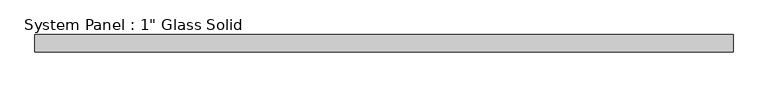
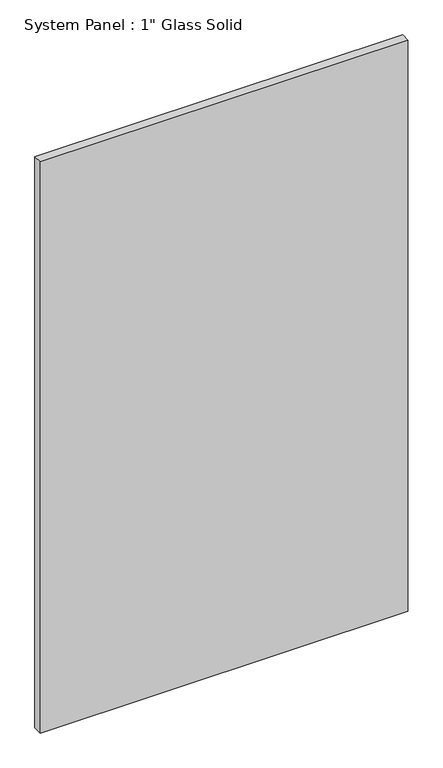
"""IFC4 building model written with IfcOpenShell, lengths in millimetres: plate geometry."""

from ifc_helpers import new_model, si_unit, origin, origin_with_axes, place, context, project, spatial, polyline, outline, extrude, source, transform, mapped, element, save


def plate_846616f6(model_context):
    return source(origin(), model_context, "Body", "SweptSolid", [
        extrude(outline(polyline([(507.4708333, -12.7), (-507.4708333, -12.7), (-507.4708333, 12.7), (507.4708333, 12.7), (507.4708333, -12.7)])), origin_with_axes(), (0.0, 0.0, 1.0), 1666.875),
    ])


if __name__ == "__main__":
    model = new_model("IFC4")
    model_context = context("Model", 3, world=origin())
    ifc_project = project(units=[si_unit("LENGTHUNIT", "METRE", prefix="MILLI")], contexts=[model_context])
    site = spatial("IfcSite", under=ifc_project)
    building = spatial("IfcBuilding", under=site)
    placement = place(None, origin())
    plate_shape = plate_846616f6(model_context)
    element("IfcPlate", 1, ObjectType="System Panel : 1\" Glass Solid", at=placement, inside=building, context=model_context, shape_type="MappedRepresentation", body=[
        mapped(plate_shape, transform((0.0, 0.0, 0.0), x_axis=(1.0, 0.0, 0.0), y_axis=(0.0, 1.0, 0.0), z_axis=(0.0, 0.0, 1.0))),
    ])
    save(model, "model.ifc")
